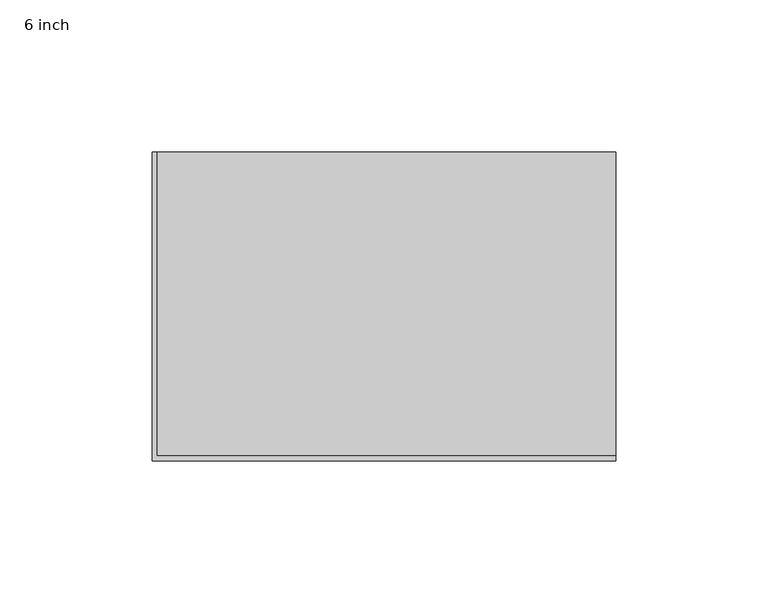
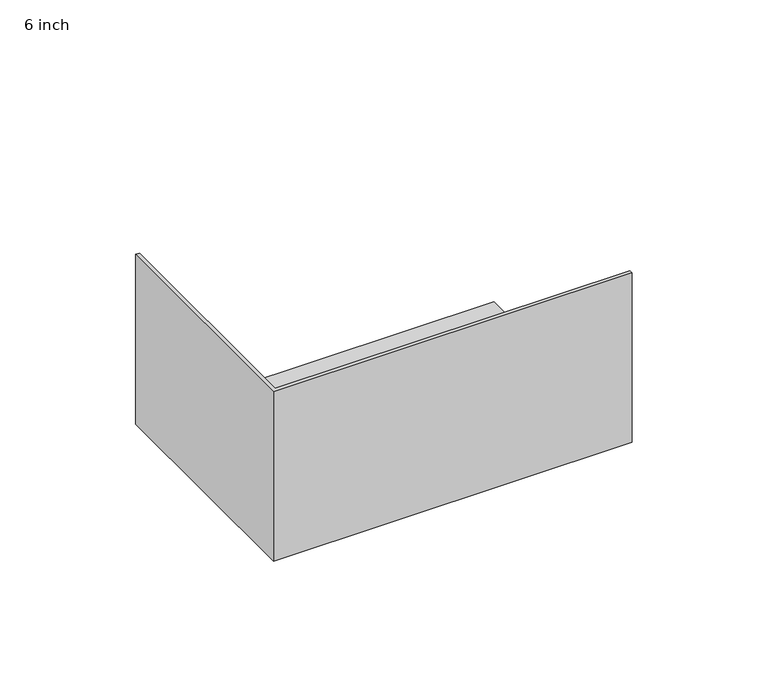
"""IFC4 building model written with IfcOpenShell, lengths in millimetres: proxy geometry, 6 inch."""

import ifcopenshell
import ifcopenshell.guid

model = None  # the IFC model being written
_history = None  # IfcOwnerHistory: only IFC2X3 demands one
_inside = {}  # id of a spatial element -> (the spatial element, [elements in it])
_under = {}  # id of a project, library or spatial element -> (it, [spatial elements below it])
_declared = {}  # id of a project -> (the project, [libraries it declares])
_typed = {}  # id of a type object -> (the type object, [elements of that type])
_made_of = {}  # id of a material, layer set ... -> (it, [elements and type objects made of it])


def new_model(schema):
    """Start an empty IFC model of exactly this schema.

    Asked for "IFC4X3", IfcOpenShell would pick the latest addendum, in which some entities
    have other attributes; the version numbers below select the first issue.
    IFC2X3 requires an IfcOwnerHistory on every rooted entity: one is made here for all.
    """
    global model, _history
    if schema == "IFC4X3":
        model = ifcopenshell.file(schema_version=(4, 3, 0, 0))
    else:
        model = ifcopenshell.file(schema=schema)
    _inside.clear()
    _under.clear()
    _declared.clear()
    _typed.clear()
    _made_of.clear()
    _history = None
    if model.schema == "IFC2X3":
        org = make("IfcOrganization", Name="unknown")
        user = make(
            "IfcPersonAndOrganization",
            ThePerson=make("IfcPerson", FamilyName="unknown"),
            TheOrganization=org,
        )
        app = make(
            "IfcApplication",
            ApplicationDeveloper=org,
            Version="unknown",
            ApplicationFullName="unknown",
            ApplicationIdentifier="unknown",
        )
        _history = make(
            "IfcOwnerHistory",
            OwningUser=user,
            OwningApplication=app,
            ChangeAction="ADDED",
            CreationDate=0,
        )
    return model


def make(cls, **values):
    """One entity of the class cls with the attributes given. An attribute that is None is left unset."""
    return model.create_entity(
        cls, **{name: value for name, value in values.items() if value is not None}
    )


def rooted(cls, **values):
    """An entity with a GlobalId (a new one), such as an element, a storey or a relation."""
    return make(cls, GlobalId=ifcopenshell.guid.new(), OwnerHistory=_history, **values)


def si_unit(unit_type, name, prefix=None):
    """IfcSIUnit, for example si_unit("LENGTHUNIT", "METRE", prefix="MILLI")."""
    return make("IfcSIUnit", UnitType=unit_type, Prefix=prefix, Name=name)


def assignment(units):
    """IfcUnitAssignment: the units of a project."""
    return None if units is None else make("IfcUnitAssignment", Units=units)


def point(xyz):
    """IfcCartesianPoint."""
    return None if xyz is None else make("IfcCartesianPoint", Coordinates=xyz)


def direction(xyz):
    """IfcDirection."""
    return None if xyz is None else make("IfcDirection", DirectionRatios=xyz)


def frame(location, z_axis=None, x_axis=None):
    """IfcAxis2Placement3D, a coordinate frame: its origin and axes. An axis left out is left unset."""
    return make(
        "IfcAxis2Placement3D",
        Location=point(location),
        Axis=direction(z_axis),
        RefDirection=direction(x_axis),
    )


def origin():
    """The frame at (0, 0, 0) with its axes left unset."""
    return frame((0.0, 0.0, 0.0))


def place(relative_to, where):
    """IfcLocalPlacement: puts the frame where relative to a parent placement (None: the world)."""
    return make(
        "IfcLocalPlacement", PlacementRelTo=relative_to, RelativePlacement=where
    )


def context(
    kind, dimensions, precision=None, world=None, true_north=None, identifier=None
):
    """IfcGeometricRepresentationContext, for example the 3D "Model" context."""
    return make(
        "IfcGeometricRepresentationContext",
        ContextIdentifier=identifier,
        ContextType=kind,
        CoordinateSpaceDimension=dimensions,
        Precision=precision,
        WorldCoordinateSystem=world,
        TrueNorth=true_north,
    )


def project(units=None, contexts=None):
    """IfcProject with its units and contexts."""
    return rooted(
        "IfcProject",
        Name="project",
        RepresentationContexts=contexts,
        UnitsInContext=assignment(units),
    )


def spatial(cls, under=None, at=None, **own):
    """A site, building, storey or space (cls), placed at a placement, below another one or the project."""
    s = rooted(cls, ObjectPlacement=at, **own)
    if under is not None:
        _under.setdefault(under.id(), (under, []))[1].append(s)
    return s


def faces_of(points, faces, orient=None, outer=None):
    """IfcFace entities. A face is a list of loops; a loop is a list of indices into points, from 0.

    orient and outer hold one flag for each loop. By default every Orientation is true, the
    first loop of a face is its IfcFaceOuterBound and the others are IfcFaceBound.
    """
    made = []
    for i, loops in enumerate(faces):
        bounds = []
        for j, loop in enumerate(loops):
            is_outer = j == 0 if outer is None else outer[i][j]
            bounds.append(
                make(
                    "IfcFaceOuterBound" if is_outer else "IfcFaceBound",
                    Bound=make("IfcPolyLoop", Polygon=[points[k] for k in loop]),
                    Orientation=True if orient is None else orient[i][j],
                )
            )
        made.append(make("IfcFace", Bounds=bounds))
    return made


def faceted_brep(points, faces, orient=None, outer=None, voids=None):
    """IfcFacetedBrep: a solid bounded by flat faces; with voids (closed shells), ...WithVoids."""
    shared = [point(p) for p in points]
    hull = make("IfcClosedShell", CfsFaces=faces_of(shared, faces, orient, outer))
    if voids is None:
        return make("IfcFacetedBrep", Outer=hull)
    return make(
        "IfcFacetedBrepWithVoids",
        Outer=hull,
        Voids=[
            make(cls, CfsFaces=faces_of(shared, fs, o, b)) for cls, fs, o, b in voids
        ],
    )


def shape(context_of_items, identifier, shape_type, items):
    """IfcShapeRepresentation: the items that make up one representation, for example the "Body"."""
    return make(
        "IfcShapeRepresentation",
        ContextOfItems=context_of_items,
        RepresentationIdentifier=identifier,
        RepresentationType=shape_type,
        Items=items,
    )


def source(mapping_origin, context_of_items, identifier, shape_type, items):
    """IfcRepresentationMap: a shape defined once, which mapped items show again and again."""
    return make(
        "IfcRepresentationMap",
        MappingOrigin=mapping_origin,
        MappedRepresentation=shape(context_of_items, identifier, shape_type, items),
    )


def transform(
    local_origin,
    x_axis=None,
    y_axis=None,
    z_axis=None,
    scale=None,
    scale2=None,
    scale3=None,
    uniform=True,
):
    """IfcCartesianTransformationOperator3D, or its non-uniform kind. x_axis, y_axis, z_axis: its Axis1, 2, 3."""
    if uniform:
        return make(
            "IfcCartesianTransformationOperator3D",
            Axis1=direction(x_axis),
            Axis2=direction(y_axis),
            LocalOrigin=point(local_origin),
            Scale=scale,
            Axis3=direction(z_axis),
        )
    return make(
        "IfcCartesianTransformationOperator3DnonUniform",
        Axis1=direction(x_axis),
        Axis2=direction(y_axis),
        LocalOrigin=point(local_origin),
        Scale=scale,
        Axis3=direction(z_axis),
        Scale2=scale2,
        Scale3=scale3,
    )


def mapped(mapping_source, mapping_target):
    """IfcMappedItem: shows the shape of a source again, moved by a transform."""
    return make(
        "IfcMappedItem", MappingSource=mapping_source, MappingTarget=mapping_target
    )


def made_of(thing, what):
    """Note that an element or type object is made of a material, layer set ...; save() writes the relation."""
    if what is not None:
        _made_of.setdefault(what.id(), (what, []))[1].append(thing)
    return thing


def element(
    cls,
    number,
    at=None,
    inside=None,
    cuts=None,
    type_object=None,
    material=None,
    context=None,
    identifier="Body",
    shape_type=None,
    held_by="IfcProductDefinitionShape",
    body=None,
    shapes=None,
    **own,
):
    """One element of the class cls, such as IfcWall. Its Tag is "e" and its number.

    at: its placement. inside: the storey or other place that contains it. cuts: it is an
    opening in that element (IfcRelVoidsElement). A single representation is given by context,
    identifier, shape_type and body (its items); several are given by shapes. held_by: the class
    of the entity that holds the representations. save() writes the other relations.
    """
    e = rooted(cls, Tag="e%d" % number, ObjectPlacement=at, **own)
    if body is not None:
        shapes = [shape(context, identifier, shape_type, body)]
    if shapes is not None:
        e.Representation = make(held_by, Representations=shapes)
    if inside is not None:
        _inside.setdefault(inside.id(), (inside, []))[1].append(e)
    if cuts is not None:
        rooted(
            "IfcRelVoidsElement", RelatingBuildingElement=cuts, RelatedOpeningElement=e
        )
    if type_object is not None:
        _typed.setdefault(type_object.id(), (type_object, []))[1].append(e)
    return made_of(e, material)


def aggregate(whole, parts):
    """IfcRelAggregates: a whole, such as a stair, and the parts it consists of."""
    return rooted("IfcRelAggregates", RelatingObject=whole, RelatedObjects=parts)


def save(model, path):
    """Write the relations noted so far, then the file.

    IfcRelAggregates (storeys below a building ...), IfcRelContainedInSpatialStructure (elements
    in a storey), IfcRelDefinesByType, IfcRelAssociatesMaterial and IfcRelDeclares: one each for
    every whole, place, type object, material and project.
    """
    for whole, parts in _under.values():
        aggregate(whole, parts)
    for where, things in _inside.values():
        rooted(
            "IfcRelContainedInSpatialStructure",
            RelatedElements=things,
            RelatingStructure=where,
        )
    for kind, things in _typed.values():
        rooted("IfcRelDefinesByType", RelatedObjects=things, RelatingType=kind)
    for what, things in _made_of.values():
        rooted("IfcRelAssociatesMaterial", RelatedObjects=things, RelatingMaterial=what)
    for by, libraries in _declared.values():
        rooted("IfcRelDeclares", RelatingContext=by, RelatedDefinitions=libraries)
    model.write(path)


def proxy_6_inch_d3df77ac(model_context):
    return source(origin(), model_context, "Body", "Brep", [
        faceted_brep([(152.4, 101.6, 1.5875), (1.5875, 101.6, 1.5875), (1.5875, 1.5875, 1.5875), (152.4, 1.5875, 1.5875), (152.4, 101.6, 0.0), (152.4, 0.0, 0.0), (0.0, 0.0, 0.0), (0.0, 101.6, 0.0), (0.0, 101.6, 76.2), (1.5875, 101.6, 76.2), (0.0, 0.0, 76.2), (152.4, 0.0, 76.2), (152.4, 1.5875, 76.2), (1.5875, 1.5875, 76.2)], [[[0, 1, 2, 3]], [[4, 5, 6, 7]], [[0, 4, 7, 8, 9, 1]], [[8, 7, 6, 10]], [[10, 6, 5, 11]], [[4, 0, 3, 12, 11, 5]], [[10, 11, 12, 13, 9, 8]], [[13, 12, 3, 2]], [[9, 13, 2, 1]]]),
    ])


if __name__ == "__main__":
    model = new_model("IFC4")
    model_context = context("Model", 3, world=origin())
    ifc_project = project(units=[si_unit("LENGTHUNIT", "METRE", prefix="MILLI")], contexts=[model_context])
    site = spatial("IfcSite", under=ifc_project)
    building = spatial("IfcBuilding", under=site)
    placement = place(None, origin())
    proxy_6_inch_shape = proxy_6_inch_d3df77ac(model_context)
    element("IfcBuildingElementProxy", 1, Name="6 inch", ObjectType="6 inch", at=placement, inside=building, context=model_context, shape_type="MappedRepresentation", body=[
        mapped(proxy_6_inch_shape, transform((0.0, 0.0, 0.0), x_axis=(1.0, 0.0, 0.0), y_axis=(0.0, 1.0, 0.0), z_axis=(0.0, 0.0, 1.0))),
    ])
    save(model, "model.ifc")
